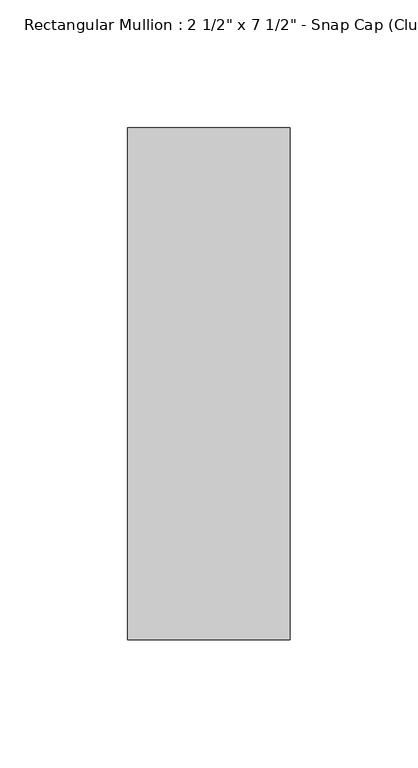
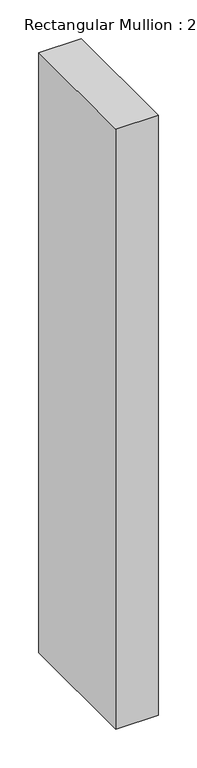
"""IFC4 building model written with IfcOpenShell, lengths in millimetres: member geometry."""

import ifcopenshell
import ifcopenshell.guid

model = None  # the IFC model being written
_history = None  # IfcOwnerHistory: only IFC2X3 demands one
_inside = {}  # id of a spatial element -> (the spatial element, [elements in it])
_under = {}  # id of a project, library or spatial element -> (it, [spatial elements below it])
_declared = {}  # id of a project -> (the project, [libraries it declares])
_typed = {}  # id of a type object -> (the type object, [elements of that type])
_made_of = {}  # id of a material, layer set ... -> (it, [elements and type objects made of it])


def new_model(schema):
    """Start an empty IFC model of exactly this schema.

    Asked for "IFC4X3", IfcOpenShell would pick the latest addendum, in which some entities
    have other attributes; the version numbers below select the first issue.
    IFC2X3 requires an IfcOwnerHistory on every rooted entity: one is made here for all.
    """
    global model, _history
    if schema == "IFC4X3":
        model = ifcopenshell.file(schema_version=(4, 3, 0, 0))
    else:
        model = ifcopenshell.file(schema=schema)
    _inside.clear()
    _under.clear()
    _declared.clear()
    _typed.clear()
    _made_of.clear()
    _history = None
    if model.schema == "IFC2X3":
        org = make("IfcOrganization", Name="unknown")
        user = make(
            "IfcPersonAndOrganization",
            ThePerson=make("IfcPerson", FamilyName="unknown"),
            TheOrganization=org,
        )
        app = make(
            "IfcApplication",
            ApplicationDeveloper=org,
            Version="unknown",
            ApplicationFullName="unknown",
            ApplicationIdentifier="unknown",
        )
        _history = make(
            "IfcOwnerHistory",
            OwningUser=user,
            OwningApplication=app,
            ChangeAction="ADDED",
            CreationDate=0,
        )
    return model


def make(cls, **values):
    """One entity of the class cls with the attributes given. An attribute that is None is left unset."""
    return model.create_entity(
        cls, **{name: value for name, value in values.items() if value is not None}
    )


def rooted(cls, **values):
    """An entity with a GlobalId (a new one), such as an element, a storey or a relation."""
    return make(cls, GlobalId=ifcopenshell.guid.new(), OwnerHistory=_history, **values)


def si_unit(unit_type, name, prefix=None):
    """IfcSIUnit, for example si_unit("LENGTHUNIT", "METRE", prefix="MILLI")."""
    return make("IfcSIUnit", UnitType=unit_type, Prefix=prefix, Name=name)


def assignment(units):
    """IfcUnitAssignment: the units of a project."""
    return None if units is None else make("IfcUnitAssignment", Units=units)


def point(xyz):
    """IfcCartesianPoint."""
    return None if xyz is None else make("IfcCartesianPoint", Coordinates=xyz)


def direction(xyz):
    """IfcDirection."""
    return None if xyz is None else make("IfcDirection", DirectionRatios=xyz)


def frame(location, z_axis=None, x_axis=None):
    """IfcAxis2Placement3D, a coordinate frame: its origin and axes. An axis left out is left unset."""
    return make(
        "IfcAxis2Placement3D",
        Location=point(location),
        Axis=direction(z_axis),
        RefDirection=direction(x_axis),
    )


def origin():
    """The frame at (0, 0, 0) with its axes left unset."""
    return frame((0.0, 0.0, 0.0))


def place(relative_to, where):
    """IfcLocalPlacement: puts the frame where relative to a parent placement (None: the world)."""
    return make(
        "IfcLocalPlacement", PlacementRelTo=relative_to, RelativePlacement=where
    )


def context(
    kind, dimensions, precision=None, world=None, true_north=None, identifier=None
):
    """IfcGeometricRepresentationContext, for example the 3D "Model" context."""
    return make(
        "IfcGeometricRepresentationContext",
        ContextIdentifier=identifier,
        ContextType=kind,
        CoordinateSpaceDimension=dimensions,
        Precision=precision,
        WorldCoordinateSystem=world,
        TrueNorth=true_north,
    )


def project(units=None, contexts=None):
    """IfcProject with its units and contexts."""
    return rooted(
        "IfcProject",
        Name="project",
        RepresentationContexts=contexts,
        UnitsInContext=assignment(units),
    )


def spatial(cls, under=None, at=None, **own):
    """A site, building, storey or space (cls), placed at a placement, below another one or the project."""
    s = rooted(cls, ObjectPlacement=at, **own)
    if under is not None:
        _under.setdefault(under.id(), (under, []))[1].append(s)
    return s


def polyline(points):
    """IfcPolyline through the points."""
    return make("IfcPolyline", Points=[point(p) for p in points])


def outline(outer, holes=None, kind="AREA"):
    """IfcArbitraryClosedProfileDef: a profile drawn as a closed curve; with holes, ...WithVoids."""
    if holes is None:
        return make("IfcArbitraryClosedProfileDef", ProfileType=kind, OuterCurve=outer)
    return make(
        "IfcArbitraryProfileDefWithVoids",
        ProfileType=kind,
        OuterCurve=outer,
        InnerCurves=holes,
    )


def extrude(swept, where, along, depth):
    """IfcExtrudedAreaSolid: the profile swept, set in the frame where, extruded along a direction by depth."""
    return make(
        "IfcExtrudedAreaSolid",
        SweptArea=swept,
        Position=where,
        ExtrudedDirection=direction(along),
        Depth=depth,
    )


def shape(context_of_items, identifier, shape_type, items):
    """IfcShapeRepresentation: the items that make up one representation, for example the "Body"."""
    return make(
        "IfcShapeRepresentation",
        ContextOfItems=context_of_items,
        RepresentationIdentifier=identifier,
        RepresentationType=shape_type,
        Items=items,
    )


def source(mapping_origin, context_of_items, identifier, shape_type, items):
    """IfcRepresentationMap: a shape defined once, which mapped items show again and again."""
    return make(
        "IfcRepresentationMap",
        MappingOrigin=mapping_origin,
        MappedRepresentation=shape(context_of_items, identifier, shape_type, items),
    )


def transform(
    local_origin,
    x_axis=None,
    y_axis=None,
    z_axis=None,
    scale=None,
    scale2=None,
    scale3=None,
    uniform=True,
):
    """IfcCartesianTransformationOperator3D, or its non-uniform kind. x_axis, y_axis, z_axis: its Axis1, 2, 3."""
    if uniform:
        return make(
            "IfcCartesianTransformationOperator3D",
            Axis1=direction(x_axis),
            Axis2=direction(y_axis),
            LocalOrigin=point(local_origin),
            Scale=scale,
            Axis3=direction(z_axis),
        )
    return make(
        "IfcCartesianTransformationOperator3DnonUniform",
        Axis1=direction(x_axis),
        Axis2=direction(y_axis),
        LocalOrigin=point(local_origin),
        Scale=scale,
        Axis3=direction(z_axis),
        Scale2=scale2,
        Scale3=scale3,
    )


def mapped(mapping_source, mapping_target):
    """IfcMappedItem: shows the shape of a source again, moved by a transform."""
    return make(
        "IfcMappedItem", MappingSource=mapping_source, MappingTarget=mapping_target
    )


def made_of(thing, what):
    """Note that an element or type object is made of a material, layer set ...; save() writes the relation."""
    if what is not None:
        _made_of.setdefault(what.id(), (what, []))[1].append(thing)
    return thing


def element(
    cls,
    number,
    at=None,
    inside=None,
    cuts=None,
    type_object=None,
    material=None,
    context=None,
    identifier="Body",
    shape_type=None,
    held_by="IfcProductDefinitionShape",
    body=None,
    shapes=None,
    **own,
):
    """One element of the class cls, such as IfcWall. Its Tag is "e" and its number.

    at: its placement. inside: the storey or other place that contains it. cuts: it is an
    opening in that element (IfcRelVoidsElement). A single representation is given by context,
    identifier, shape_type and body (its items); several are given by shapes. held_by: the class
    of the entity that holds the representations. save() writes the other relations.
    """
    e = rooted(cls, Tag="e%d" % number, ObjectPlacement=at, **own)
    if body is not None:
        shapes = [shape(context, identifier, shape_type, body)]
    if shapes is not None:
        e.Representation = make(held_by, Representations=shapes)
    if inside is not None:
        _inside.setdefault(inside.id(), (inside, []))[1].append(e)
    if cuts is not None:
        rooted(
            "IfcRelVoidsElement", RelatingBuildingElement=cuts, RelatedOpeningElement=e
        )
    if type_object is not None:
        _typed.setdefault(type_object.id(), (type_object, []))[1].append(e)
    return made_of(e, material)


def aggregate(whole, parts):
    """IfcRelAggregates: a whole, such as a stair, and the parts it consists of."""
    return rooted("IfcRelAggregates", RelatingObject=whole, RelatedObjects=parts)


def save(model, path):
    """Write the relations noted so far, then the file.

    IfcRelAggregates (storeys below a building ...), IfcRelContainedInSpatialStructure (elements
    in a storey), IfcRelDefinesByType, IfcRelAssociatesMaterial and IfcRelDeclares: one each for
    every whole, place, type object, material and project.
    """
    for whole, parts in _under.values():
        aggregate(whole, parts)
    for where, things in _inside.values():
        rooted(
            "IfcRelContainedInSpatialStructure",
            RelatedElements=things,
            RelatingStructure=where,
        )
    for kind, things in _typed.values():
        rooted("IfcRelDefinesByType", RelatedObjects=things, RelatingType=kind)
    for what, things in _made_of.values():
        rooted("IfcRelAssociatesMaterial", RelatedObjects=things, RelatingMaterial=what)
    for by, libraries in _declared.values():
        rooted("IfcRelDeclares", RelatingContext=by, RelatedDefinitions=libraries)
    model.write(path)


def member_17495601(model_context):
    return source(origin(), model_context, "Body", "SweptSolid", [
        extrude(outline(polyline([(31.75, 25.8), (31.75, -174.2), (-31.75, -174.2), (-31.75, 25.8), (31.75, 25.8)])), frame((0.0, 0.0, -948.2701127), z_axis=(0.0, 0.0, 1.0), x_axis=(1.0, 0.0, 0.0)), (0.0, 0.0, 1.0), 948.2701127),
    ])


if __name__ == "__main__":
    model = new_model("IFC4")
    model_context = context("Model", 3, world=origin())
    ifc_project = project(units=[si_unit("LENGTHUNIT", "METRE", prefix="MILLI")], contexts=[model_context])
    site = spatial("IfcSite", under=ifc_project)
    building = spatial("IfcBuilding", under=site)
    placement = place(None, origin())
    member_shape = member_17495601(model_context)
    element("IfcMember", 1, ObjectType="Rectangular Mullion : 2 1/2\" x 7 1/2\" - Snap Cap (Club)", at=placement, inside=building, context=model_context, shape_type="MappedRepresentation", body=[
        mapped(member_shape, transform((0.0, 0.0, 0.0), x_axis=(1.0, 0.0, 0.0), y_axis=(0.0, 1.0, 0.0), z_axis=(0.0, 0.0, 1.0))),
    ])
    save(model, "model.ifc")
